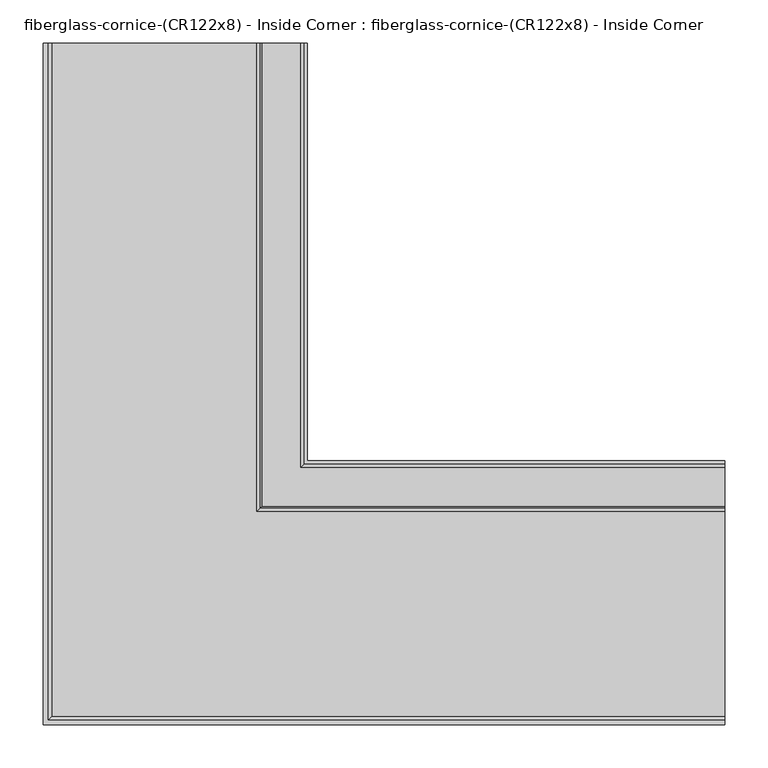
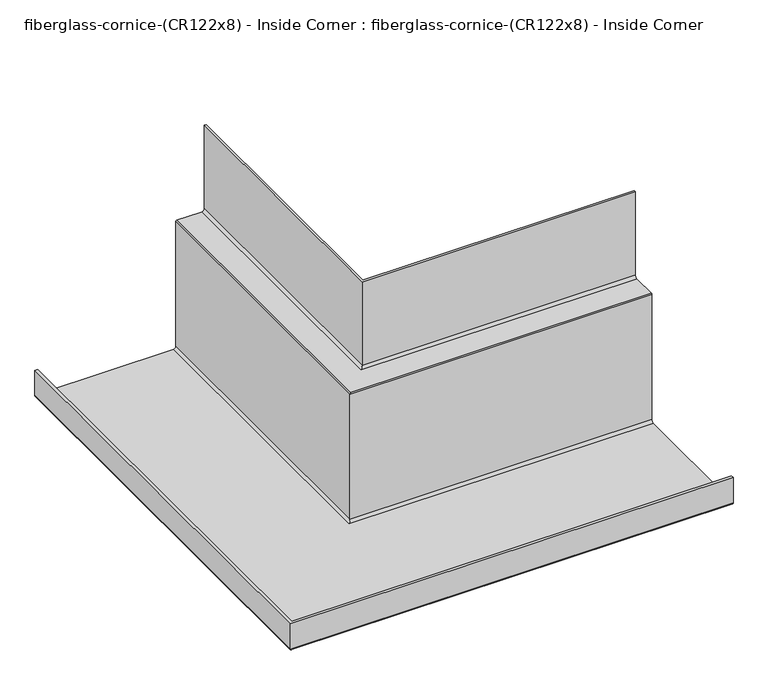
"""IFC4 building model written with IfcOpenShell, lengths in millimetres: furniture geometry, fiberglass-cornice-(CR122x8) - Inside Corner : fiberglass-cornice-(CR122x8) - Inside Corner."""

from ifc_helpers import new_model, si_unit, frame, origin, place, context, project, spatial, polyline, circle_curve, ellipse_curve, source, transform, mapped, element, save
from ifc_brep_helpers import plane_surface, cylinder_surface, revolved_surface, advanced_brep


def fiberglass_cornice_cr122x8_inside_corner_fiberglass_cornice_65626be6(model_context):
    return source(origin(), model_context, "Body", "AdvancedBrep", [
        advanced_brep(
        [(-92.3924938, 888.603125, 330.1999904), (-88.8999938, 888.603125, 330.1999904), (-88.8999938, 888.603125, 168.2749904), (-92.0749938, 888.603125, 165.0999904), (-136.5249938, 888.603125, 165.0999904), (-139.6999938, 888.603125, 161.9249904), (-139.6999938, 888.603125, -73.0250096), (-142.8749938, 888.603125, -76.2000096), (-390.5249938, 888.603125, -76.2000096), (-393.6999938, 888.603125, -73.0250096), (-393.6999938, 888.603125, -25.4000096), (-388.6199938, 888.603125, -25.4000096), (-388.6199938, 888.603125, -68.2625096), (-384.1749938, 888.603125, -72.7075096), (-147.6374938, 888.603125, -72.7075096), (-143.1924938, 888.603125, -68.2625096), (-143.1924938, 888.603125, 166.6874904), (-141.2874938, 888.603125, 168.5924904), (-96.8374938, 888.603125, 168.5924904), (-92.3924938, 888.603125, 173.0374904), (393.6999938, 402.510625, 330.1999904), (393.6999938, 402.510625, 173.0374904), (393.6999938, 398.065625, 168.5924904), (393.6999938, 353.615625, 168.5924904), (393.6999938, 351.710625, 166.6874904), (393.6999938, 351.710625, -68.2625096), (393.6999938, 347.265625, -72.7075096), (393.6999938, 110.728125, -72.7075096), (393.6999938, 106.283125, -68.2625096), (393.6999938, 106.283125, -25.4000096), (393.6999938, 101.203125, -25.4000096), (393.6999938, 101.203125, -73.0250096), (393.6999938, 104.378125, -76.2000096), (393.6999938, 352.028125, -76.2000096), (393.6999938, 355.203125, -73.0250096), (393.6999938, 355.203125, 161.9249904), (393.6999938, 358.378125, 165.0999904), (393.6999938, 402.828125, 165.0999904), (393.6999938, 406.003125, 168.2749904), (393.6999938, 406.003125, 330.1999904), (-92.3924938, 402.510625, 330.1999904), (-88.8999938, 406.003125, 330.1999904), (-88.8999938, 406.003125, 168.2749904), (-92.0749938, 402.828125, 165.0999904), (-136.5249938, 358.378125, 165.0999904), (-139.6999938, 355.203125, 161.9249904), (-139.6999938, 355.203125, -73.0250096), (-142.8749938, 352.028125, -76.2000096), (-390.5249938, 104.378125, -76.2000096), (-393.6999938, 101.203125, -73.0250096), (-393.6999938, 101.203125, -25.4000096), (-388.6199938, 106.283125, -25.4000096), (-388.6199938, 106.283125, -68.2625096), (-384.1749938, 110.728125, -72.7075096), (-147.6374938, 347.265625, -72.7075096), (-143.1924938, 351.710625, -68.2625096), (-143.1924938, 351.710625, 166.6874904), (-141.2874938, 353.615625, 168.5924904), (-96.8374938, 398.065625, 168.5924904), (-92.3924938, 402.510625, 173.0374904)],
        [
            (0, 1),
            (1, 2),
            (2, 3, circle_curve(frame((-92.0749938, 888.603125, 168.2749904), z_axis=(0.0, 1.0, 0.0), x_axis=(1.0, 0.0, 0.0)), 3.175)),
            (3, 4),
            (4, 5, circle_curve(frame((-136.5249938, 888.603125, 161.9249904), z_axis=(0.0, -1.0, 0.0), x_axis=(1.0, 0.0, 0.0)), 3.175)),
            (5, 6),
            (6, 7, circle_curve(frame((-142.8749938, 888.603125, -73.0250096), z_axis=(0.0, 1.0, 0.0), x_axis=(1.0, 0.0, 0.0)), 3.175)),
            (7, 8),
            (8, 9, circle_curve(frame((-390.5249938, 888.603125, -73.0250096), z_axis=(0.0, 1.0, 0.0), x_axis=(1.0, 0.0, 0.0)), 3.175)),
            (9, 10),
            (10, 11),
            (11, 12),
            (12, 13, circle_curve(frame((-384.1749938, 888.603125, -68.2625096), z_axis=(0.0, -1.0, 0.0), x_axis=(1.0, 0.0, 0.0)), 4.445)),
            (13, 14),
            (14, 15, circle_curve(frame((-147.6374938, 888.603125, -68.2625096), z_axis=(0.0, -1.0, 0.0), x_axis=(1.0, 0.0, 0.0)), 4.445)),
            (15, 16),
            (16, 17, circle_curve(frame((-141.2874938, 888.603125, 166.6874904), z_axis=(0.0, 1.0, 0.0), x_axis=(1.0, 0.0, 0.0)), 1.905)),
            (17, 18),
            (18, 19, circle_curve(frame((-96.8374938, 888.603125, 173.0374904), z_axis=(0.0, -1.0, 0.0), x_axis=(1.0, 0.0, 0.0)), 4.445)),
            (19, 0),
            (20, 21),
            (21, 22, circle_curve(frame((393.6999938, 398.065625, 173.0374904), z_axis=(-1.0, 0.0, 0.0), x_axis=(0.0, 1.0, 0.0)), 4.445)),
            (22, 23),
            (23, 24, circle_curve(frame((393.6999938, 353.615625, 166.6874904), z_axis=(1.0, 0.0, 0.0), x_axis=(0.0, 1.0, 0.0)), 1.905)),
            (24, 25),
            (25, 26, circle_curve(frame((393.6999938, 347.265625, -68.2625096), z_axis=(-1.0, 0.0, 0.0), x_axis=(0.0, 1.0, 0.0)), 4.445)),
            (26, 27),
            (27, 28, circle_curve(frame((393.6999938, 110.728125, -68.2625096), z_axis=(-1.0, 0.0, 0.0), x_axis=(0.0, 1.0, 0.0)), 4.445)),
            (28, 29),
            (29, 30),
            (30, 31),
            (31, 32, circle_curve(frame((393.6999938, 104.378125, -73.0250096), z_axis=(1.0, 0.0, 0.0), x_axis=(0.0, 1.0, 0.0)), 3.175)),
            (32, 33),
            (33, 34, circle_curve(frame((393.6999938, 352.028125, -73.0250096), z_axis=(1.0, 0.0, 0.0), x_axis=(0.0, 1.0, 0.0)), 3.175)),
            (34, 35),
            (35, 36, circle_curve(frame((393.6999938, 358.378125, 161.9249904), z_axis=(-1.0, 0.0, 0.0), x_axis=(0.0, 1.0, 0.0)), 3.175)),
            (36, 37),
            (37, 38, circle_curve(frame((393.6999938, 402.828125, 168.2749904), z_axis=(1.0, 0.0, 0.0), x_axis=(0.0, 1.0, 0.0)), 3.175)),
            (38, 39),
            (39, 20),
            (0, 40),
            (40, 20),
            (39, 41),
            (41, 1),
            (41, 42),
            (42, 2),
            (42, 43, ellipse_curve(frame((-92.0749938, 402.828125, 168.2749904), z_axis=(-0.7071067811865475, 0.7071067811865475, 0.0), x_axis=(0.7071067811865474, 0.7071067811865476, 0.0)), 4.4901281, 3.175)),
            (43, 3),
            (43, 37),
            (36, 44),
            (44, 4),
            (44, 45, ellipse_curve(frame((-136.5249938, 358.378125, 161.9249904), z_axis=(0.7071067811865475, -0.7071067811865475, 0.0), x_axis=(-0.7071067811865474, -0.7071067811865476, 0.0)), 4.4901281, 3.175)),
            (45, 5),
            (45, 46),
            (46, 6),
            (46, 47, ellipse_curve(frame((-142.8749938, 352.028125, -73.0250096), z_axis=(-0.7071067811865475, 0.7071067811865475, 0.0), x_axis=(0.7071067811865474, 0.7071067811865476, 0.0)), 4.4901281, 3.175)),
            (47, 7),
            (47, 33),
            (32, 48),
            (48, 8),
            (48, 49, ellipse_curve(frame((-390.5249938, 104.378125, -73.0250096), z_axis=(-0.7071067811865475, 0.7071067811865475, 0.0), x_axis=(0.7071067811865474, 0.7071067811865476, 0.0)), 4.4901281, 3.175)),
            (49, 9),
            (49, 50),
            (50, 10),
            (50, 30),
            (29, 51),
            (51, 11),
            (51, 52),
            (52, 12),
            (52, 53, ellipse_curve(frame((-384.1749938, 110.728125, -68.2625096), z_axis=(0.7071067811865475, -0.7071067811865475, 0.0), x_axis=(-0.7071067811865474, -0.7071067811865476, 0.0)), 6.2861793, 4.445)),
            (53, 13),
            (53, 27),
            (26, 54),
            (54, 14),
            (54, 55, ellipse_curve(frame((-147.6374938, 347.265625, -68.2625096), z_axis=(0.7071067811865475, -0.7071067811865475, 0.0), x_axis=(-0.7071067811865474, -0.7071067811865476, 0.0)), 6.2861793, 4.445)),
            (55, 15),
            (55, 56),
            (56, 16),
            (56, 57, ellipse_curve(frame((-141.2874938, 353.615625, 166.6874904), z_axis=(-0.7071067811865475, 0.7071067811865475, 0.0), x_axis=(0.7071067811865474, 0.7071067811865476, 0.0)), 2.6940768, 1.905)),
            (57, 17),
            (57, 23),
            (22, 58),
            (58, 18),
            (58, 59, ellipse_curve(frame((-96.8374938, 398.065625, 173.0374904), z_axis=(0.7071067811865475, -0.7071067811865475, 0.0), x_axis=(-0.7071067811865474, -0.7071067811865476, 0.0)), 6.2861793, 4.445)),
            (59, 19),
            (59, 40),
            (38, 42),
            (35, 45),
            (34, 46),
            (31, 49),
            (28, 52),
            (25, 55),
            (24, 56),
            (21, 59),
        ],
        [
            plane_surface(frame((-393.6999938, 888.603125, 330.1999904), z_axis=(0.0, 1.0, 0.0), x_axis=(0.0, 0.0, 1.0))),
            plane_surface(frame((393.6999938, 101.203125, 330.1999904), z_axis=(1.0, 0.0, 0.0), x_axis=(0.0, 0.0, 1.0))),
            plane_surface(frame((-92.3924938, 888.603125, 330.1999904), z_axis=(0.0, 0.0, 1.0), x_axis=(0.0, -1.0, 0.0))),
            plane_surface(frame((-88.8999938, 888.603125, 330.1999904), z_axis=(1.0, 0.0, 0.0), x_axis=(0.0, -1.0, 0.0))),
            cylinder_surface(frame((-92.0749938, 888.603125, 168.2749904), z_axis=(0.0, 1.0, 0.0), x_axis=(1.0, 0.0, 0.0)), 3.175),
            plane_surface(frame((-92.0749938, 888.603125, 165.0999904), z_axis=(0.0, 0.0, -1.0), x_axis=(0.0, -1.0, 0.0))),
            revolved_surface(polyline([(-133.3499938, 355.20312497209375, 161.9249904), (-133.3499938, 888.603125, 161.9249904)]), (-136.5249938, 888.603125, 161.9249904), (0.0, -1.0, 0.0)),
            plane_surface(frame((-139.6999938, 888.603125, 161.9249904), z_axis=(1.0, 0.0, 0.0), x_axis=(0.0, -1.0, 0.0))),
            cylinder_surface(frame((-142.8749938, 888.603125, -73.0250096), z_axis=(0.0, 1.0, 0.0), x_axis=(1.0, 0.0, 0.0)), 3.175),
            plane_surface(frame((-142.8749938, 888.603125, -76.2000096), z_axis=(0.0, 0.0, -1.0), x_axis=(0.0, -1.0, 0.0))),
            cylinder_surface(frame((-390.5249938, 888.603125, -73.0250096), z_axis=(0.0, 1.0, 0.0), x_axis=(1.0, 0.0, 0.0)), 3.175),
            plane_surface(frame((-393.6999938, 888.603125, -73.0250096), z_axis=(-1.0, 0.0, 0.0), x_axis=(0.0, -1.0, 0.0))),
            plane_surface(frame((-393.6999938, 888.603125, -25.4000096), z_axis=(0.0, 0.0, 1.0), x_axis=(0.0, -1.0, 0.0))),
            plane_surface(frame((-388.6199938, 888.603125, -25.4000096), z_axis=(1.0, 0.0, 0.0), x_axis=(0.0, -1.0, 0.0))),
            revolved_surface(polyline([(-379.7299938, 106.28312498921548, -68.2625096), (-379.7299938, 888.603125, -68.2625096)]), (-384.1749938, 888.603125, -68.2625096), (0.0, -1.0, 0.0)),
            plane_surface(frame((-384.1749938, 888.603125, -72.7075096), z_axis=(0.0, 0.0, 1.0), x_axis=(0.0, -1.0, 0.0))),
            revolved_surface(polyline([(-143.1924938, 342.8206249892155, -68.2625096), (-143.1924938, 888.603125, -68.2625096)]), (-147.6374938, 888.603125, -68.2625096), (0.0, -1.0, 0.0)),
            plane_surface(frame((-143.1924938, 888.603125, -68.2625096), z_axis=(-1.0, 0.0, 0.0), x_axis=(0.0, -1.0, 0.0))),
            cylinder_surface(frame((-141.2874938, 888.603125, 166.6874904), z_axis=(0.0, 1.0, 0.0), x_axis=(1.0, 0.0, 0.0)), 1.905),
            plane_surface(frame((-141.2874938, 888.603125, 168.5924904), z_axis=(0.0, 0.0, 1.0), x_axis=(0.0, -1.0, 0.0))),
            revolved_surface(polyline([(-92.39249380000001, 393.6206249892155, 173.0374904), (-92.39249380000001, 888.603125, 173.0374904)]), (-96.8374938, 888.603125, 173.0374904), (0.0, -1.0, 0.0)),
            plane_surface(frame((-92.3924938, 888.603125, 173.0374904), z_axis=(-1.0, 0.0, 0.0), x_axis=(0.0, -1.0, 0.0))),
            plane_surface(frame((-88.8999938, 406.003125, 330.1999904), z_axis=(0.0, 1.0, 0.0), x_axis=(1.0, 0.0, 0.0))),
            cylinder_surface(frame((-393.6999938, 402.828125, 168.2749904), z_axis=(-1.0, 0.0, 0.0), x_axis=(0.0, 1.0, 0.0)), 3.175),
            revolved_surface(polyline([(393.6999938, 361.553125, 161.9249904), (-139.69999382790627, 361.553125, 161.9249904)]), (-393.6999938, 358.378125, 161.9249904), (1.0, 0.0, 0.0)),
            plane_surface(frame((-139.6999938, 355.203125, 161.9249904), z_axis=(0.0, 1.0, 0.0), x_axis=(1.0, 0.0, 0.0))),
            cylinder_surface(frame((-393.6999938, 352.028125, -73.0250096), z_axis=(-1.0, 0.0, 0.0), x_axis=(0.0, 1.0, 0.0)), 3.175),
            cylinder_surface(frame((-393.6999938, 104.378125, -73.0250096), z_axis=(-1.0, 0.0, 0.0), x_axis=(0.0, 1.0, 0.0)), 3.175),
            plane_surface(frame((-393.6999938, 101.203125, -73.0250096), z_axis=(0.0, -1.0, 0.0), x_axis=(1.0, 0.0, 0.0))),
            plane_surface(frame((-388.6199938, 106.283125, -25.4000096), z_axis=(0.0, 1.0, 0.0), x_axis=(1.0, 0.0, 0.0))),
            revolved_surface(polyline([(393.6999938, 115.173125, -68.2625096), (-388.6199938107845, 115.173125, -68.2625096)]), (-393.6999938, 110.728125, -68.2625096), (1.0, 0.0, 0.0)),
            revolved_surface(polyline([(393.6999938, 351.710625, -68.2625096), (-152.08249381078448, 351.710625, -68.2625096)]), (-393.6999938, 347.265625, -68.2625096), (1.0, 0.0, 0.0)),
            plane_surface(frame((-143.1924938, 351.710625, -68.2625096), z_axis=(0.0, -1.0, 0.0), x_axis=(1.0, 0.0, 0.0))),
            cylinder_surface(frame((-393.6999938, 353.615625, 166.6874904), z_axis=(-1.0, 0.0, 0.0), x_axis=(0.0, 1.0, 0.0)), 1.905),
            revolved_surface(polyline([(393.6999938, 402.510625, 173.0374904), (-101.2824938107845, 402.510625, 173.0374904)]), (-393.6999938, 398.065625, 173.0374904), (1.0, 0.0, 0.0)),
            plane_surface(frame((-92.3924938, 402.510625, 173.0374904), z_axis=(0.0, -1.0, 0.0), x_axis=(1.0, 0.0, 0.0))),
        ],
        [
            (0, [[1, 2, 3, 4, 5, 6, 7, 8, 9, 10, 11, 12, 13, 14, 15, 16, 17, 18, 19, 20]]),
            (1, [[21, 22, 23, 24, 25, 26, 27, 28, 29, 30, 31, 32, 33, 34, 35, 36, 37, 38, 39, 40]]),
            (2, [[-1, 41, 42, -40, 43, 44]]),
            (3, [[-2, -44, 45, 46]]),
            (4, [[-3, -46, 47, 48]]),
            (5, [[-4, -48, 49, -37, 50, 51]]),
            (6, [[-5, -51, 52, 53]]),
            (7, [[-6, -53, 54, 55]]),
            (8, [[-7, -55, 56, 57]]),
            (9, [[-8, -57, 58, -33, 59, 60]]),
            (10, [[-9, -60, 61, 62]]),
            (11, [[-10, -62, 63, 64]]),
            (12, [[-11, -64, 65, -30, 66, 67]]),
            (13, [[-12, -67, 68, 69]]),
            (14, [[-13, -69, 70, 71]]),
            (15, [[-14, -71, 72, -27, 73, 74]]),
            (16, [[-15, -74, 75, 76]]),
            (17, [[-16, -76, 77, 78]]),
            (18, [[-17, -78, 79, 80]]),
            (19, [[-18, -80, 81, -23, 82, 83]]),
            (20, [[-19, -83, 84, 85]]),
            (21, [[-20, -85, 86, -41]]),
            (22, [[-45, -43, -39, 87]]),
            (23, [[-47, -87, -38, -49]]),
            (24, [[-52, -50, -36, 88]]),
            (25, [[-54, -88, -35, 89]]),
            (26, [[-56, -89, -34, -58]]),
            (27, [[-61, -59, -32, 90]]),
            (28, [[-63, -90, -31, -65]]),
            (29, [[-68, -66, -29, 91]]),
            (30, [[-70, -91, -28, -72]]),
            (31, [[-75, -73, -26, 92]]),
            (32, [[-77, -92, -25, 93]]),
            (33, [[-79, -93, -24, -81]]),
            (34, [[-84, -82, -22, 94]]),
            (35, [[-86, -94, -21, -42]]),
        ],
    ),
    ])


if __name__ == "__main__":
    model = new_model("IFC4")
    model_context = context("Model", 3, world=origin())
    ifc_project = project(units=[si_unit("LENGTHUNIT", "METRE", prefix="MILLI")], contexts=[model_context])
    site = spatial("IfcSite", under=ifc_project)
    building = spatial("IfcBuilding", under=site)
    placement = place(None, origin())
    fiberglass_cornice_cr122x8_inside_corner_fiberglass_cornice_shape = fiberglass_cornice_cr122x8_inside_corner_fiberglass_cornice_65626be6(model_context)
    element("IfcFurniture", 1, ObjectType="fiberglass-cornice-(CR122x8) - Inside Corner : fiberglass-cornice-(CR122x8) - Inside Corner", at=placement, inside=building, context=model_context, shape_type="MappedRepresentation", body=[
        mapped(fiberglass_cornice_cr122x8_inside_corner_fiberglass_cornice_shape, transform((0.0, 0.0, 0.0), x_axis=(1.0, 0.0, 0.0), y_axis=(0.0, 1.0, 0.0), z_axis=(0.0, 0.0, 1.0))),
    ])
    save(model, "model.ifc")
